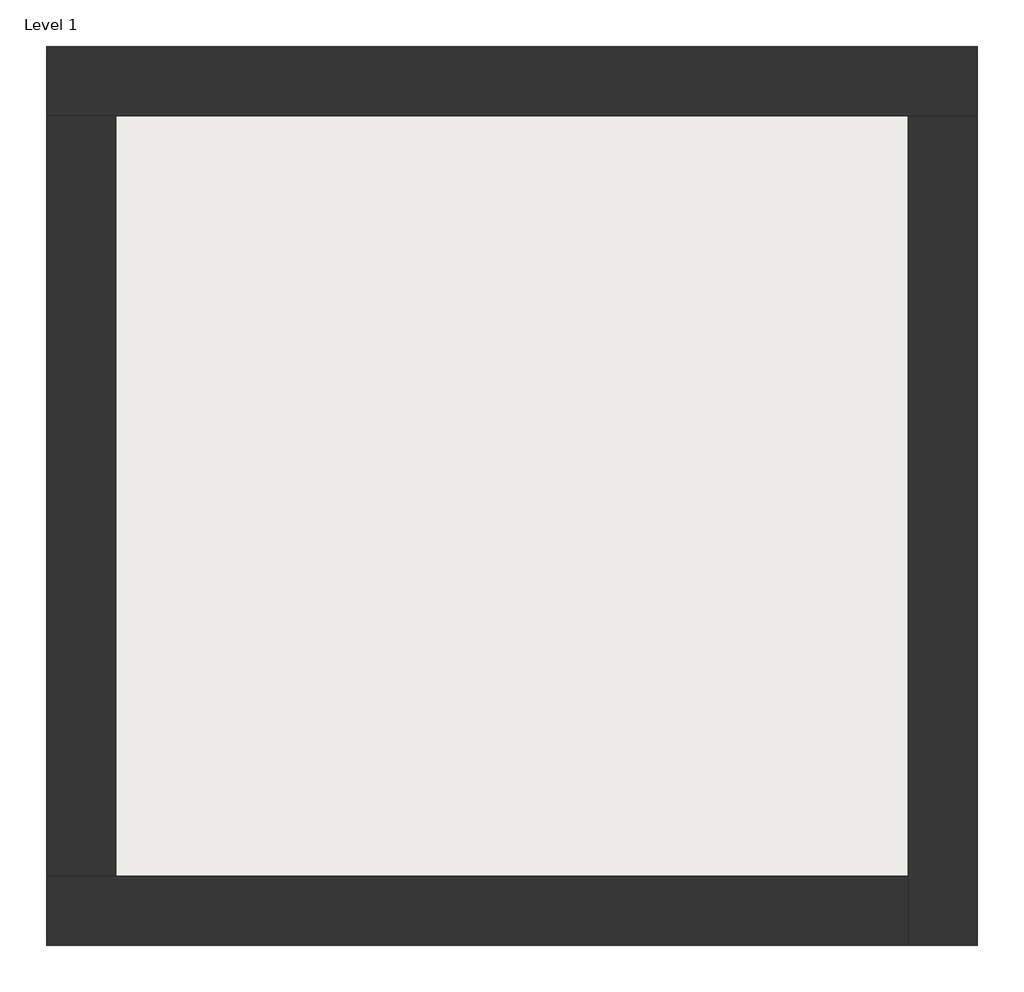
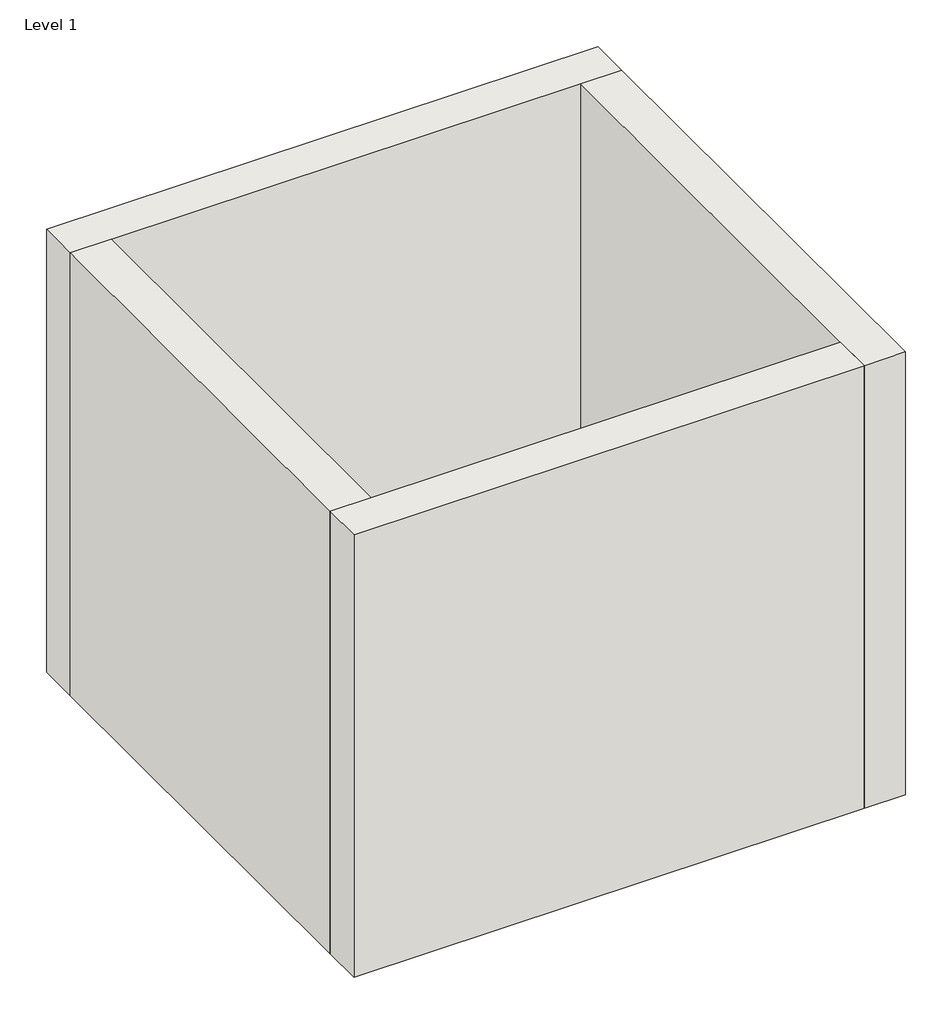
# One storey: 4 walls, 1 slab.
"""IFC4 building model written with IfcOpenShell, lengths in millimetres."""

from ifc_helpers import new_model, si_unit, frame, origin, origin_with_axes, place, context, project, spatial, polyline, outline, extrude, faceted_brep, element, save

model = new_model("IFC4")

# Units and contexts
model_context = context("Model", 3, world=origin())
ifc_project = project(units=[si_unit("LENGTHUNIT", "METRE", prefix="MILLI")], contexts=[model_context])

# Site, building, storey
site = spatial("IfcSite", under=ifc_project)
building = spatial("IfcBuilding", under=site)
storey = spatial("IfcBuildingStorey", under=building, Name="Level 1", Elevation=0.0)

# Slab
placement = place(None, origin())
element("IfcSlab", 1, at=placement, inside=storey, context=model_context, shape_type="SweptSolid", body=[
    extrude(outline(polyline([(-10869.3573003, 6934.2750283), (-10869.3573003, 3058.2750283), (-14907.8573003, 3058.2750283), (-14907.8573003, 6934.2750283), (-10869.3573003, 6934.2750283)])), frame((0.0, 0.0, 36.0), z_axis=(0.0, 0.0, 1.0), x_axis=(1.0, 0.0, 0.0)), (0.0, 0.0, 1.0), 564.0),
])

# Walls
element("IfcWall", 2, ObjectType="Exterior - Brick on Mtl. Stud", at=placement, inside=storey, context=model_context, shape_type="Brep", body=[
    faceted_brep([(-15244.8573003, 6921.2750283, 0.0), (-14894.8573003, 6921.2750283, 0.0), (-10882.3573003, 6921.2750283, 0.0), (-10532.3573003, 6921.2750283, 0.0), (-10532.3573003, 6921.2750283, 4000.0), (-10882.3573003, 6921.2750283, 4000.0), (-14894.8573003, 6921.2750283, 4000.0), (-15244.8573003, 6921.2750283, 4000.0), (-15244.8573003, 7271.2750283, 0.0), (-15244.8573003, 7271.2750283, 4000.0), (-10532.3573003, 7271.2750283, 4000.0), (-10532.3573003, 7271.2750283, 0.0)], [[[0, 1, 2, 3, 4, 5, 6, 7]], [[8, 9, 10, 11]], [[3, 2, 1, 0, 8, 11]], [[7, 6, 5, 4, 10, 9]], [[0, 7, 9, 8]], [[4, 3, 11, 10]]]),
])
element("IfcWall", 3, ObjectType="Exterior - Brick on Mtl. Stud", at=placement, inside=storey, context=model_context, shape_type="Brep", body=[
    faceted_brep([(-10882.3573003, 6921.2750283, 0.0), (-10882.3573003, 3071.2750283, 0.0), (-10882.3573003, 2721.2750283, 0.0), (-10882.3573003, 2721.2750283, 4000.0), (-10882.3573003, 3071.2750283, 4000.0), (-10882.3573003, 6921.2750283, 4000.0), (-10532.3573003, 6921.2750283, 0.0), (-10532.3573003, 6921.2750283, 4000.0), (-10532.3573003, 2721.2750283, 4000.0), (-10532.3573003, 2721.2750283, 0.0)], [[[0, 1, 2, 3, 4, 5]], [[6, 7, 8, 9]], [[2, 1, 0, 6, 9]], [[5, 4, 3, 8, 7]], [[3, 2, 9, 8]], [[0, 5, 7, 6]]]),
])
element("IfcWall", 4, ObjectType="Exterior - Brick on Mtl. Stud", at=placement, inside=storey, context=model_context, shape_type="Brep", body=[
    faceted_brep([(-10882.3573003, 3071.2750283, 0.0), (-14894.8573003, 3071.2750283, 0.0), (-15244.8573003, 3071.2750283, 0.0), (-15244.8573003, 3071.2750283, 4000.0), (-14894.8573003, 3071.2750283, 4000.0), (-10882.3573003, 3071.2750283, 4000.0), (-10882.3573003, 2721.2750283, 0.0), (-10882.3573003, 2721.2750283, 4000.0), (-15244.8573003, 2721.2750283, 4000.0), (-15244.8573003, 2721.2750283, 0.0)], [[[0, 1, 2, 3, 4, 5]], [[6, 7, 8, 9]], [[2, 1, 0, 6, 9]], [[5, 4, 3, 8, 7]], [[3, 2, 9, 8]], [[0, 5, 7, 6]]]),
])
element("IfcWall", 5, ObjectType="Exterior - Brick on Mtl. Stud", at=placement, inside=storey, context=model_context, shape_type="SweptSolid", body=[
    extrude(outline(polyline([(-14894.8573003, 6921.2750283), (-14894.8573003, 3071.2750283), (-15244.8573003, 3071.2750283), (-15244.8573003, 6921.2750283), (-14894.8573003, 6921.2750283)])), origin_with_axes(), (0.0, 0.0, 1.0), 4000.0),
])

save(model, "model.ifc")
